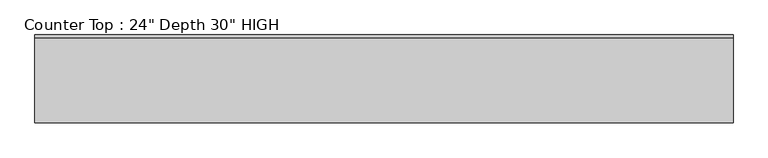
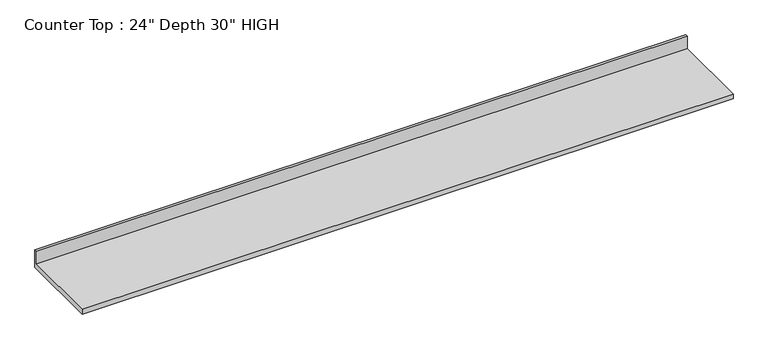
"""IFC4 building model written with IfcOpenShell, lengths in millimetres: furniture geometry."""

from ifc_helpers import new_model, si_unit, frame, origin, place, context, project, spatial, polyline, outline, extrude, source, transform, mapped, element, save


def furniture_2260a65f(model_context):
    return source(origin(), model_context, "Body", "SweptSolid", [
        extrude(outline(polyline([(0.0, 965.2), (0.0, 825.5), (-635.0, 825.5), (-635.0, 863.6), (-19.05, 863.6), (-19.05, 965.2), (0.0, 965.2)])), frame((-1200.4622951, 0.0, 0.0), z_axis=(1.0, 0.0, 0.0), x_axis=(0.0, 1.0, 0.0)), (0.0, 0.0, 1.0), 5041.9),
    ])


if __name__ == "__main__":
    model = new_model("IFC4")
    model_context = context("Model", 3, world=origin())
    ifc_project = project(units=[si_unit("LENGTHUNIT", "METRE", prefix="MILLI")], contexts=[model_context])
    site = spatial("IfcSite", under=ifc_project)
    building = spatial("IfcBuilding", under=site)
    placement = place(None, origin())
    furniture_shape = furniture_2260a65f(model_context)
    element("IfcFurniture", 1, ObjectType="Counter Top : 24\" Depth 30\" HIGH", at=placement, inside=building, context=model_context, shape_type="MappedRepresentation", body=[
        mapped(furniture_shape, transform((0.0, 0.0, 0.0), x_axis=(1.0, 0.0, 0.0), y_axis=(0.0, 1.0, 0.0), z_axis=(0.0, 0.0, 1.0))),
    ])
    save(model, "model.ifc")
